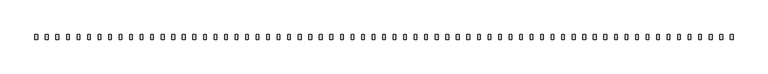
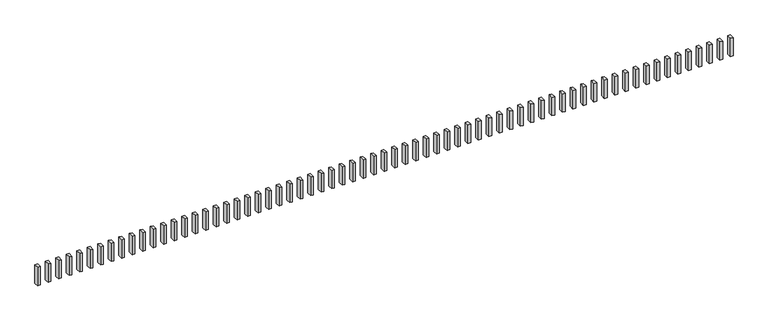
"""IFC4 building model written with IfcOpenShell, lengths in millimetres: railing geometry."""

from ifc_helpers import new_model, si_unit, frame, origin, place, context, project, spatial, polyline, outline, extrude, source, transform, mapped, element, save


def railing_776ae383(model_context):
    return source(origin(), model_context, "Body", "SweptSolid", [
        extrude(outline(polyline([(-3153.1368734, -7586.7880996), (-3123.1368734, -7586.7880996), (-3123.1368734, -7639.1640045), (-3153.1368734, -7639.1640045), (-3153.1368734, -7586.7880996)])), frame((0.0, 0.0, 2666.25), z_axis=(0.0, 0.0, 1.0), x_axis=(1.0, 0.0, 0.0)), (0.0, 0.0, 1.0), 223.0),
        extrude(outline(polyline([(-3273.1368734, -7586.7880996), (-3243.1368734, -7586.7880996), (-3243.1368734, -7639.1640045), (-3273.1368734, -7639.1640045), (-3273.1368734, -7586.7880996)])), frame((0.0, 0.0, 2666.25), z_axis=(0.0, 0.0, 1.0), x_axis=(1.0, 0.0, 0.0)), (0.0, 0.0, 1.0), 223.0),
        extrude(outline(polyline([(-3393.1368734, -7586.7880996), (-3363.1368734, -7586.7880996), (-3363.1368734, -7639.1640045), (-3393.1368734, -7639.1640045), (-3393.1368734, -7586.7880996)])), frame((0.0, 0.0, 2666.25), z_axis=(0.0, 0.0, 1.0), x_axis=(1.0, 0.0, 0.0)), (0.0, 0.0, 1.0), 223.0),
        extrude(outline(polyline([(-3513.1368734, -7586.7880996), (-3483.1368734, -7586.7880996), (-3483.1368734, -7639.1640045), (-3513.1368734, -7639.1640045), (-3513.1368734, -7586.7880996)])), frame((0.0, 0.0, 2666.25), z_axis=(0.0, 0.0, 1.0), x_axis=(1.0, 0.0, 0.0)), (0.0, 0.0, 1.0), 223.0),
        extrude(outline(polyline([(-3633.1368734, -7586.7880996), (-3603.1368734, -7586.7880996), (-3603.1368734, -7639.1640045), (-3633.1368734, -7639.1640045), (-3633.1368734, -7586.7880996)])), frame((0.0, 0.0, 2666.25), z_axis=(0.0, 0.0, 1.0), x_axis=(1.0, 0.0, 0.0)), (0.0, 0.0, 1.0), 223.0),
        extrude(outline(polyline([(-3753.1368734, -7586.7880996), (-3723.1368734, -7586.7880996), (-3723.1368734, -7639.1640045), (-3753.1368734, -7639.1640045), (-3753.1368734, -7586.7880996)])), frame((0.0, 0.0, 2666.25), z_axis=(0.0, 0.0, 1.0), x_axis=(1.0, 0.0, 0.0)), (0.0, 0.0, 1.0), 223.0),
        extrude(outline(polyline([(-3873.1368734, -7586.7880996), (-3843.1368734, -7586.7880996), (-3843.1368734, -7639.1640045), (-3873.1368734, -7639.1640045), (-3873.1368734, -7586.7880996)])), frame((0.0, 0.0, 2666.25), z_axis=(0.0, 0.0, 1.0), x_axis=(1.0, 0.0, 0.0)), (0.0, 0.0, 1.0), 223.0),
        extrude(outline(polyline([(-3993.1368734, -7586.7880996), (-3963.1368734, -7586.7880996), (-3963.1368734, -7639.1640045), (-3993.1368734, -7639.1640045), (-3993.1368734, -7586.7880996)])), frame((0.0, 0.0, 2666.25), z_axis=(0.0, 0.0, 1.0), x_axis=(1.0, 0.0, 0.0)), (0.0, 0.0, 1.0), 223.0),
        extrude(outline(polyline([(-4113.1368734, -7586.7880996), (-4083.1368734, -7586.7880996), (-4083.1368734, -7639.1640045), (-4113.1368734, -7639.1640045), (-4113.1368734, -7586.7880996)])), frame((0.0, 0.0, 2666.25), z_axis=(0.0, 0.0, 1.0), x_axis=(1.0, 0.0, 0.0)), (0.0, 0.0, 1.0), 223.0),
        extrude(outline(polyline([(-4233.1368734, -7586.7880996), (-4203.1368734, -7586.7880996), (-4203.1368734, -7639.1640045), (-4233.1368734, -7639.1640045), (-4233.1368734, -7586.7880996)])), frame((0.0, 0.0, 2666.25), z_axis=(0.0, 0.0, 1.0), x_axis=(1.0, 0.0, 0.0)), (0.0, 0.0, 1.0), 223.0),
        extrude(outline(polyline([(-4353.1368734, -7586.7880996), (-4323.1368734, -7586.7880996), (-4323.1368734, -7639.1640045), (-4353.1368734, -7639.1640045), (-4353.1368734, -7586.7880996)])), frame((0.0, 0.0, 2666.25), z_axis=(0.0, 0.0, 1.0), x_axis=(1.0, 0.0, 0.0)), (0.0, 0.0, 1.0), 223.0),
        extrude(outline(polyline([(-4473.1368734, -7586.7880996), (-4443.1368734, -7586.7880996), (-4443.1368734, -7639.1640045), (-4473.1368734, -7639.1640045), (-4473.1368734, -7586.7880996)])), frame((0.0, 0.0, 2666.25), z_axis=(0.0, 0.0, 1.0), x_axis=(1.0, 0.0, 0.0)), (0.0, 0.0, 1.0), 223.0),
        extrude(outline(polyline([(-4593.1368734, -7586.7880996), (-4563.1368734, -7586.7880996), (-4563.1368734, -7639.1640045), (-4593.1368734, -7639.1640045), (-4593.1368734, -7586.7880996)])), frame((0.0, 0.0, 2666.25), z_axis=(0.0, 0.0, 1.0), x_axis=(1.0, 0.0, 0.0)), (0.0, 0.0, 1.0), 223.0),
        extrude(outline(polyline([(-4713.1368734, -7586.7880996), (-4683.1368734, -7586.7880996), (-4683.1368734, -7639.1640045), (-4713.1368734, -7639.1640045), (-4713.1368734, -7586.7880996)])), frame((0.0, 0.0, 2666.25), z_axis=(0.0, 0.0, 1.0), x_axis=(1.0, 0.0, 0.0)), (0.0, 0.0, 1.0), 223.0),
        extrude(outline(polyline([(-4833.1368734, -7586.7880996), (-4803.1368734, -7586.7880996), (-4803.1368734, -7639.1640045), (-4833.1368734, -7639.1640045), (-4833.1368734, -7586.7880996)])), frame((0.0, 0.0, 2666.25), z_axis=(0.0, 0.0, 1.0), x_axis=(1.0, 0.0, 0.0)), (0.0, 0.0, 1.0), 223.0),
        extrude(outline(polyline([(-4953.1368734, -7586.7880996), (-4923.1368734, -7586.7880996), (-4923.1368734, -7639.1640045), (-4953.1368734, -7639.1640045), (-4953.1368734, -7586.7880996)])), frame((0.0, 0.0, 2666.25), z_axis=(0.0, 0.0, 1.0), x_axis=(1.0, 0.0, 0.0)), (0.0, 0.0, 1.0), 223.0),
        extrude(outline(polyline([(-5073.1368734, -7586.7880996), (-5043.1368734, -7586.7880996), (-5043.1368734, -7639.1640045), (-5073.1368734, -7639.1640045), (-5073.1368734, -7586.7880996)])), frame((0.0, 0.0, 2666.25), z_axis=(0.0, 0.0, 1.0), x_axis=(1.0, 0.0, 0.0)), (0.0, 0.0, 1.0), 223.0),
        extrude(outline(polyline([(-5193.1368734, -7586.7880996), (-5163.1368734, -7586.7880996), (-5163.1368734, -7639.1640045), (-5193.1368734, -7639.1640045), (-5193.1368734, -7586.7880996)])), frame((0.0, 0.0, 2666.25), z_axis=(0.0, 0.0, 1.0), x_axis=(1.0, 0.0, 0.0)), (0.0, 0.0, 1.0), 223.0),
        extrude(outline(polyline([(-5313.1368734, -7586.7880996), (-5283.1368734, -7586.7880996), (-5283.1368734, -7639.1640045), (-5313.1368734, -7639.1640045), (-5313.1368734, -7586.7880996)])), frame((0.0, 0.0, 2666.25), z_axis=(0.0, 0.0, 1.0), x_axis=(1.0, 0.0, 0.0)), (0.0, 0.0, 1.0), 223.0),
        extrude(outline(polyline([(-5433.1368734, -7586.7880996), (-5403.1368734, -7586.7880996), (-5403.1368734, -7639.1640045), (-5433.1368734, -7639.1640045), (-5433.1368734, -7586.7880996)])), frame((0.0, 0.0, 2666.25), z_axis=(0.0, 0.0, 1.0), x_axis=(1.0, 0.0, 0.0)), (0.0, 0.0, 1.0), 223.0),
        extrude(outline(polyline([(-5553.1368734, -7586.7880996), (-5523.1368734, -7586.7880996), (-5523.1368734, -7639.1640045), (-5553.1368734, -7639.1640045), (-5553.1368734, -7586.7880996)])), frame((0.0, 0.0, 2666.25), z_axis=(0.0, 0.0, 1.0), x_axis=(1.0, 0.0, 0.0)), (0.0, 0.0, 1.0), 223.0),
        extrude(outline(polyline([(-5673.1368734, -7586.7880996), (-5643.1368734, -7586.7880996), (-5643.1368734, -7639.1640045), (-5673.1368734, -7639.1640045), (-5673.1368734, -7586.7880996)])), frame((0.0, 0.0, 2666.25), z_axis=(0.0, 0.0, 1.0), x_axis=(1.0, 0.0, 0.0)), (0.0, 0.0, 1.0), 223.0),
        extrude(outline(polyline([(-5793.1368734, -7586.7880996), (-5763.1368734, -7586.7880996), (-5763.1368734, -7639.1640045), (-5793.1368734, -7639.1640045), (-5793.1368734, -7586.7880996)])), frame((0.0, 0.0, 2666.25), z_axis=(0.0, 0.0, 1.0), x_axis=(1.0, 0.0, 0.0)), (0.0, 0.0, 1.0), 223.0),
        extrude(outline(polyline([(-5913.1368734, -7586.7880996), (-5883.1368734, -7586.7880996), (-5883.1368734, -7639.1640045), (-5913.1368734, -7639.1640045), (-5913.1368734, -7586.7880996)])), frame((0.0, 0.0, 2666.25), z_axis=(0.0, 0.0, 1.0), x_axis=(1.0, 0.0, 0.0)), (0.0, 0.0, 1.0), 223.0),
        extrude(outline(polyline([(-6033.1368734, -7586.7880996), (-6003.1368734, -7586.7880996), (-6003.1368734, -7639.1640045), (-6033.1368734, -7639.1640045), (-6033.1368734, -7586.7880996)])), frame((0.0, 0.0, 2666.25), z_axis=(0.0, 0.0, 1.0), x_axis=(1.0, 0.0, 0.0)), (0.0, 0.0, 1.0), 223.0),
        extrude(outline(polyline([(-6153.1368734, -7586.7880996), (-6123.1368734, -7586.7880996), (-6123.1368734, -7639.1640045), (-6153.1368734, -7639.1640045), (-6153.1368734, -7586.7880996)])), frame((0.0, 0.0, 2666.25), z_axis=(0.0, 0.0, 1.0), x_axis=(1.0, 0.0, 0.0)), (0.0, 0.0, 1.0), 223.0),
        extrude(outline(polyline([(-6273.1368734, -7586.7880996), (-6243.1368734, -7586.7880996), (-6243.1368734, -7639.1640045), (-6273.1368734, -7639.1640045), (-6273.1368734, -7586.7880996)])), frame((0.0, 0.0, 2666.25), z_axis=(0.0, 0.0, 1.0), x_axis=(1.0, 0.0, 0.0)), (0.0, 0.0, 1.0), 223.0),
        extrude(outline(polyline([(-6393.1368734, -7586.7880996), (-6363.1368734, -7586.7880996), (-6363.1368734, -7639.1640045), (-6393.1368734, -7639.1640045), (-6393.1368734, -7586.7880996)])), frame((0.0, 0.0, 2666.25), z_axis=(0.0, 0.0, 1.0), x_axis=(1.0, 0.0, 0.0)), (0.0, 0.0, 1.0), 223.0),
        extrude(outline(polyline([(-6513.1368734, -7586.7880996), (-6483.1368734, -7586.7880996), (-6483.1368734, -7639.1640045), (-6513.1368734, -7639.1640045), (-6513.1368734, -7586.7880996)])), frame((0.0, 0.0, 2666.25), z_axis=(0.0, 0.0, 1.0), x_axis=(1.0, 0.0, 0.0)), (0.0, 0.0, 1.0), 223.0),
        extrude(outline(polyline([(-6633.1368734, -7586.7880996), (-6603.1368734, -7586.7880996), (-6603.1368734, -7639.1640045), (-6633.1368734, -7639.1640045), (-6633.1368734, -7586.7880996)])), frame((0.0, 0.0, 2666.25), z_axis=(0.0, 0.0, 1.0), x_axis=(1.0, 0.0, 0.0)), (0.0, 0.0, 1.0), 223.0),
        extrude(outline(polyline([(-6753.1368734, -7586.7880996), (-6723.1368734, -7586.7880996), (-6723.1368734, -7639.1640045), (-6753.1368734, -7639.1640045), (-6753.1368734, -7586.7880996)])), frame((0.0, 0.0, 2666.25), z_axis=(0.0, 0.0, 1.0), x_axis=(1.0, 0.0, 0.0)), (0.0, 0.0, 1.0), 223.0),
        extrude(outline(polyline([(-6873.1368734, -7586.7880996), (-6843.1368734, -7586.7880996), (-6843.1368734, -7639.1640045), (-6873.1368734, -7639.1640045), (-6873.1368734, -7586.7880996)])), frame((0.0, 0.0, 2666.25), z_axis=(0.0, 0.0, 1.0), x_axis=(1.0, 0.0, 0.0)), (0.0, 0.0, 1.0), 223.0),
        extrude(outline(polyline([(-6993.1368734, -7586.7880996), (-6963.1368734, -7586.7880996), (-6963.1368734, -7639.1640045), (-6993.1368734, -7639.1640045), (-6993.1368734, -7586.7880996)])), frame((0.0, 0.0, 2666.25), z_axis=(0.0, 0.0, 1.0), x_axis=(1.0, 0.0, 0.0)), (0.0, 0.0, 1.0), 223.0),
        extrude(outline(polyline([(-7113.1368734, -7586.7880996), (-7083.1368734, -7586.7880996), (-7083.1368734, -7639.1640045), (-7113.1368734, -7639.1640045), (-7113.1368734, -7586.7880996)])), frame((0.0, 0.0, 2666.25), z_axis=(0.0, 0.0, 1.0), x_axis=(1.0, 0.0, 0.0)), (0.0, 0.0, 1.0), 223.0),
        extrude(outline(polyline([(-7233.1368734, -7586.7880996), (-7203.1368734, -7586.7880996), (-7203.1368734, -7639.1640045), (-7233.1368734, -7639.1640045), (-7233.1368734, -7586.7880996)])), frame((0.0, 0.0, 2666.25), z_axis=(0.0, 0.0, 1.0), x_axis=(1.0, 0.0, 0.0)), (0.0, 0.0, 1.0), 223.0),
        extrude(outline(polyline([(-7353.1368734, -7586.7880996), (-7323.1368734, -7586.7880996), (-7323.1368734, -7639.1640045), (-7353.1368734, -7639.1640045), (-7353.1368734, -7586.7880996)])), frame((0.0, 0.0, 2666.25), z_axis=(0.0, 0.0, 1.0), x_axis=(1.0, 0.0, 0.0)), (0.0, 0.0, 1.0), 223.0),
        extrude(outline(polyline([(-7473.1368734, -7586.7880996), (-7443.1368734, -7586.7880996), (-7443.1368734, -7639.1640045), (-7473.1368734, -7639.1640045), (-7473.1368734, -7586.7880996)])), frame((0.0, 0.0, 2666.25), z_axis=(0.0, 0.0, 1.0), x_axis=(1.0, 0.0, 0.0)), (0.0, 0.0, 1.0), 223.0),
        extrude(outline(polyline([(-7593.1368734, -7586.7880996), (-7563.1368734, -7586.7880996), (-7563.1368734, -7639.1640045), (-7593.1368734, -7639.1640045), (-7593.1368734, -7586.7880996)])), frame((0.0, 0.0, 2666.25), z_axis=(0.0, 0.0, 1.0), x_axis=(1.0, 0.0, 0.0)), (0.0, 0.0, 1.0), 223.0),
        extrude(outline(polyline([(-7713.1368734, -7586.7880996), (-7683.1368734, -7586.7880996), (-7683.1368734, -7639.1640045), (-7713.1368734, -7639.1640045), (-7713.1368734, -7586.7880996)])), frame((0.0, 0.0, 2666.25), z_axis=(0.0, 0.0, 1.0), x_axis=(1.0, 0.0, 0.0)), (0.0, 0.0, 1.0), 223.0),
        extrude(outline(polyline([(-7833.1368734, -7586.7880996), (-7803.1368734, -7586.7880996), (-7803.1368734, -7639.1640045), (-7833.1368734, -7639.1640045), (-7833.1368734, -7586.7880996)])), frame((0.0, 0.0, 2666.25), z_axis=(0.0, 0.0, 1.0), x_axis=(1.0, 0.0, 0.0)), (0.0, 0.0, 1.0), 223.0),
        extrude(outline(polyline([(-7953.1368734, -7586.7880996), (-7923.1368734, -7586.7880996), (-7923.1368734, -7639.1640045), (-7953.1368734, -7639.1640045), (-7953.1368734, -7586.7880996)])), frame((0.0, 0.0, 2666.25), z_axis=(0.0, 0.0, 1.0), x_axis=(1.0, 0.0, 0.0)), (0.0, 0.0, 1.0), 223.0),
        extrude(outline(polyline([(-8073.1368734, -7586.7880996), (-8043.1368734, -7586.7880996), (-8043.1368734, -7639.1640045), (-8073.1368734, -7639.1640045), (-8073.1368734, -7586.7880996)])), frame((0.0, 0.0, 2666.25), z_axis=(0.0, 0.0, 1.0), x_axis=(1.0, 0.0, 0.0)), (0.0, 0.0, 1.0), 223.0),
        extrude(outline(polyline([(-8193.1368734, -7586.7880996), (-8163.1368734, -7586.7880996), (-8163.1368734, -7639.1640045), (-8193.1368734, -7639.1640045), (-8193.1368734, -7586.7880996)])), frame((0.0, 0.0, 2666.25), z_axis=(0.0, 0.0, 1.0), x_axis=(1.0, 0.0, 0.0)), (0.0, 0.0, 1.0), 223.0),
        extrude(outline(polyline([(-8313.1368734, -7586.7880996), (-8283.1368734, -7586.7880996), (-8283.1368734, -7639.1640045), (-8313.1368734, -7639.1640045), (-8313.1368734, -7586.7880996)])), frame((0.0, 0.0, 2666.25), z_axis=(0.0, 0.0, 1.0), x_axis=(1.0, 0.0, 0.0)), (0.0, 0.0, 1.0), 223.0),
        extrude(outline(polyline([(-8433.1368734, -7586.7880996), (-8403.1368734, -7586.7880996), (-8403.1368734, -7639.1640045), (-8433.1368734, -7639.1640045), (-8433.1368734, -7586.7880996)])), frame((0.0, 0.0, 2666.25), z_axis=(0.0, 0.0, 1.0), x_axis=(1.0, 0.0, 0.0)), (0.0, 0.0, 1.0), 223.0),
        extrude(outline(polyline([(-8553.1368734, -7586.7880996), (-8523.1368734, -7586.7880996), (-8523.1368734, -7639.1640045), (-8553.1368734, -7639.1640045), (-8553.1368734, -7586.7880996)])), frame((0.0, 0.0, 2666.25), z_axis=(0.0, 0.0, 1.0), x_axis=(1.0, 0.0, 0.0)), (0.0, 0.0, 1.0), 223.0),
        extrude(outline(polyline([(-8673.1368734, -7586.7880996), (-8643.1368734, -7586.7880996), (-8643.1368734, -7639.1640045), (-8673.1368734, -7639.1640045), (-8673.1368734, -7586.7880996)])), frame((0.0, 0.0, 2666.25), z_axis=(0.0, 0.0, 1.0), x_axis=(1.0, 0.0, 0.0)), (0.0, 0.0, 1.0), 223.0),
        extrude(outline(polyline([(-8793.1368734, -7586.7880996), (-8763.1368734, -7586.7880996), (-8763.1368734, -7639.1640045), (-8793.1368734, -7639.1640045), (-8793.1368734, -7586.7880996)])), frame((0.0, 0.0, 2666.25), z_axis=(0.0, 0.0, 1.0), x_axis=(1.0, 0.0, 0.0)), (0.0, 0.0, 1.0), 223.0),
        extrude(outline(polyline([(-8913.1368734, -7586.7880996), (-8883.1368734, -7586.7880996), (-8883.1368734, -7639.1640045), (-8913.1368734, -7639.1640045), (-8913.1368734, -7586.7880996)])), frame((0.0, 0.0, 2666.25), z_axis=(0.0, 0.0, 1.0), x_axis=(1.0, 0.0, 0.0)), (0.0, 0.0, 1.0), 223.0),
        extrude(outline(polyline([(-9033.1368734, -7586.7880996), (-9003.1368734, -7586.7880996), (-9003.1368734, -7639.1640045), (-9033.1368734, -7639.1640045), (-9033.1368734, -7586.7880996)])), frame((0.0, 0.0, 2666.25), z_axis=(0.0, 0.0, 1.0), x_axis=(1.0, 0.0, 0.0)), (0.0, 0.0, 1.0), 223.0),
        extrude(outline(polyline([(-9153.1368734, -7586.7880996), (-9123.1368734, -7586.7880996), (-9123.1368734, -7639.1640045), (-9153.1368734, -7639.1640045), (-9153.1368734, -7586.7880996)])), frame((0.0, 0.0, 2666.25), z_axis=(0.0, 0.0, 1.0), x_axis=(1.0, 0.0, 0.0)), (0.0, 0.0, 1.0), 223.0),
        extrude(outline(polyline([(-9273.1368734, -7586.7880996), (-9243.1368734, -7586.7880996), (-9243.1368734, -7639.1640045), (-9273.1368734, -7639.1640045), (-9273.1368734, -7586.7880996)])), frame((0.0, 0.0, 2666.25), z_axis=(0.0, 0.0, 1.0), x_axis=(1.0, 0.0, 0.0)), (0.0, 0.0, 1.0), 223.0),
        extrude(outline(polyline([(-9393.1368734, -7586.7880996), (-9363.1368734, -7586.7880996), (-9363.1368734, -7639.1640045), (-9393.1368734, -7639.1640045), (-9393.1368734, -7586.7880996)])), frame((0.0, 0.0, 2666.25), z_axis=(0.0, 0.0, 1.0), x_axis=(1.0, 0.0, 0.0)), (0.0, 0.0, 1.0), 223.0),
        extrude(outline(polyline([(-9513.1368734, -7586.7880996), (-9483.1368734, -7586.7880996), (-9483.1368734, -7639.1640045), (-9513.1368734, -7639.1640045), (-9513.1368734, -7586.7880996)])), frame((0.0, 0.0, 2666.25), z_axis=(0.0, 0.0, 1.0), x_axis=(1.0, 0.0, 0.0)), (0.0, 0.0, 1.0), 223.0),
        extrude(outline(polyline([(-9633.1368734, -7586.7880996), (-9603.1368734, -7586.7880996), (-9603.1368734, -7639.1640045), (-9633.1368734, -7639.1640045), (-9633.1368734, -7586.7880996)])), frame((0.0, 0.0, 2666.25), z_axis=(0.0, 0.0, 1.0), x_axis=(1.0, 0.0, 0.0)), (0.0, 0.0, 1.0), 223.0),
        extrude(outline(polyline([(-9753.1368734, -7586.7880996), (-9723.1368734, -7586.7880996), (-9723.1368734, -7639.1640045), (-9753.1368734, -7639.1640045), (-9753.1368734, -7586.7880996)])), frame((0.0, 0.0, 2666.25), z_axis=(0.0, 0.0, 1.0), x_axis=(1.0, 0.0, 0.0)), (0.0, 0.0, 1.0), 223.0),
        extrude(outline(polyline([(-9873.1368734, -7586.7880996), (-9843.1368734, -7586.7880996), (-9843.1368734, -7639.1640045), (-9873.1368734, -7639.1640045), (-9873.1368734, -7586.7880996)])), frame((0.0, 0.0, 2666.25), z_axis=(0.0, 0.0, 1.0), x_axis=(1.0, 0.0, 0.0)), (0.0, 0.0, 1.0), 223.0),
        extrude(outline(polyline([(-9993.1368734, -7586.7880996), (-9963.1368734, -7586.7880996), (-9963.1368734, -7639.1640045), (-9993.1368734, -7639.1640045), (-9993.1368734, -7586.7880996)])), frame((0.0, 0.0, 2666.25), z_axis=(0.0, 0.0, 1.0), x_axis=(1.0, 0.0, 0.0)), (0.0, 0.0, 1.0), 223.0),
        extrude(outline(polyline([(-10113.1368734, -7586.7880996), (-10083.1368734, -7586.7880996), (-10083.1368734, -7639.1640045), (-10113.1368734, -7639.1640045), (-10113.1368734, -7586.7880996)])), frame((0.0, 0.0, 2666.25), z_axis=(0.0, 0.0, 1.0), x_axis=(1.0, 0.0, 0.0)), (0.0, 0.0, 1.0), 223.0),
        extrude(outline(polyline([(-10233.1368734, -7586.7880996), (-10203.1368734, -7586.7880996), (-10203.1368734, -7639.1640045), (-10233.1368734, -7639.1640045), (-10233.1368734, -7586.7880996)])), frame((0.0, 0.0, 2666.25), z_axis=(0.0, 0.0, 1.0), x_axis=(1.0, 0.0, 0.0)), (0.0, 0.0, 1.0), 223.0),
        extrude(outline(polyline([(-10353.1368734, -7586.7880996), (-10323.1368734, -7586.7880996), (-10323.1368734, -7639.1640045), (-10353.1368734, -7639.1640045), (-10353.1368734, -7586.7880996)])), frame((0.0, 0.0, 2666.25), z_axis=(0.0, 0.0, 1.0), x_axis=(1.0, 0.0, 0.0)), (0.0, 0.0, 1.0), 223.0),
        extrude(outline(polyline([(-10473.1368734, -7586.7880996), (-10443.1368734, -7586.7880996), (-10443.1368734, -7639.1640045), (-10473.1368734, -7639.1640045), (-10473.1368734, -7586.7880996)])), frame((0.0, 0.0, 2666.25), z_axis=(0.0, 0.0, 1.0), x_axis=(1.0, 0.0, 0.0)), (0.0, 0.0, 1.0), 223.0),
        extrude(outline(polyline([(-10593.1368734, -7586.7880996), (-10563.1368734, -7586.7880996), (-10563.1368734, -7639.1640045), (-10593.1368734, -7639.1640045), (-10593.1368734, -7586.7880996)])), frame((0.0, 0.0, 2666.25), z_axis=(0.0, 0.0, 1.0), x_axis=(1.0, 0.0, 0.0)), (0.0, 0.0, 1.0), 223.0),
        extrude(outline(polyline([(-10713.1368734, -7586.7880996), (-10683.1368734, -7586.7880996), (-10683.1368734, -7639.1640045), (-10713.1368734, -7639.1640045), (-10713.1368734, -7586.7880996)])), frame((0.0, 0.0, 2666.25), z_axis=(0.0, 0.0, 1.0), x_axis=(1.0, 0.0, 0.0)), (0.0, 0.0, 1.0), 223.0),
        extrude(outline(polyline([(-10833.1368734, -7586.7880996), (-10803.1368734, -7586.7880996), (-10803.1368734, -7639.1640045), (-10833.1368734, -7639.1640045), (-10833.1368734, -7586.7880996)])), frame((0.0, 0.0, 2666.25), z_axis=(0.0, 0.0, 1.0), x_axis=(1.0, 0.0, 0.0)), (0.0, 0.0, 1.0), 223.0),
        extrude(outline(polyline([(-10953.1368734, -7586.7880996), (-10923.1368734, -7586.7880996), (-10923.1368734, -7639.1640045), (-10953.1368734, -7639.1640045), (-10953.1368734, -7586.7880996)])), frame((0.0, 0.0, 2666.25), z_axis=(0.0, 0.0, 1.0), x_axis=(1.0, 0.0, 0.0)), (0.0, 0.0, 1.0), 223.0),
        extrude(outline(polyline([(-11073.1368734, -7586.7880996), (-11043.1368734, -7586.7880996), (-11043.1368734, -7639.1640045), (-11073.1368734, -7639.1640045), (-11073.1368734, -7586.7880996)])), frame((0.0, 0.0, 2666.25), z_axis=(0.0, 0.0, 1.0), x_axis=(1.0, 0.0, 0.0)), (0.0, 0.0, 1.0), 223.0),
    ])


if __name__ == "__main__":
    model = new_model("IFC4")
    model_context = context("Model", 3, world=origin())
    ifc_project = project(units=[si_unit("LENGTHUNIT", "METRE", prefix="MILLI")], contexts=[model_context])
    site = spatial("IfcSite", under=ifc_project)
    building = spatial("IfcBuilding", under=site)
    placement = place(None, origin())
    railing_shape = railing_776ae383(model_context)
    element("IfcRailing", 1, at=placement, inside=building, context=model_context, shape_type="MappedRepresentation", body=[
        mapped(railing_shape, transform((0.0, 0.0, 0.0), x_axis=(1.0, 0.0, 0.0), y_axis=(0.0, 1.0, 0.0), z_axis=(0.0, 0.0, 1.0))),
    ])
    save(model, "model.ifc")
